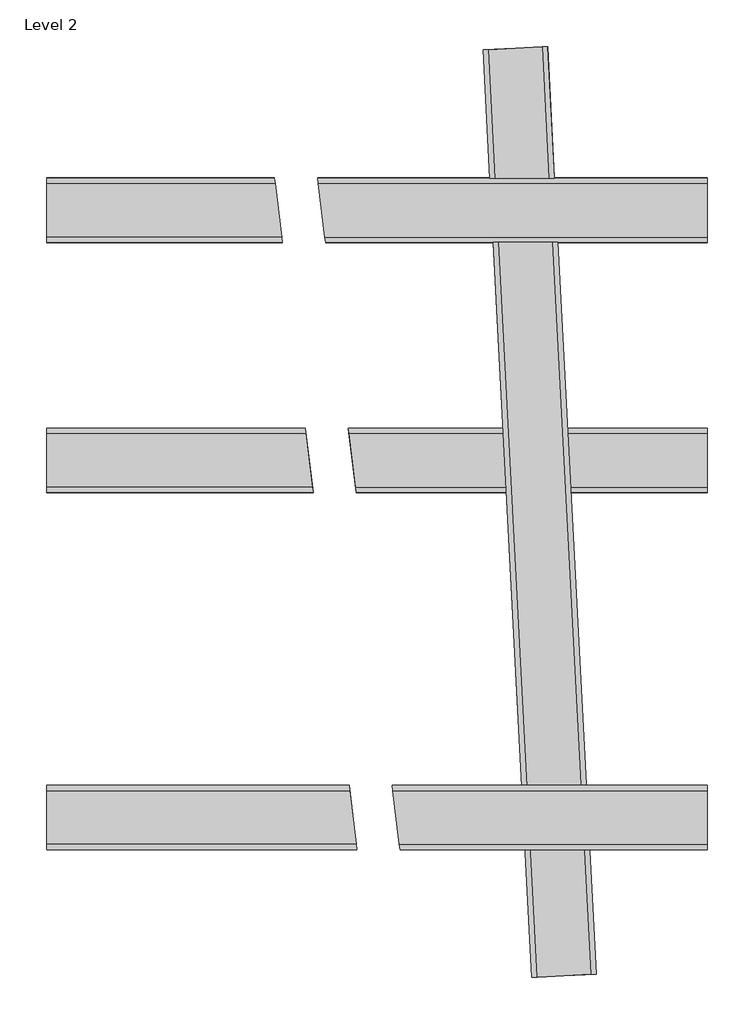
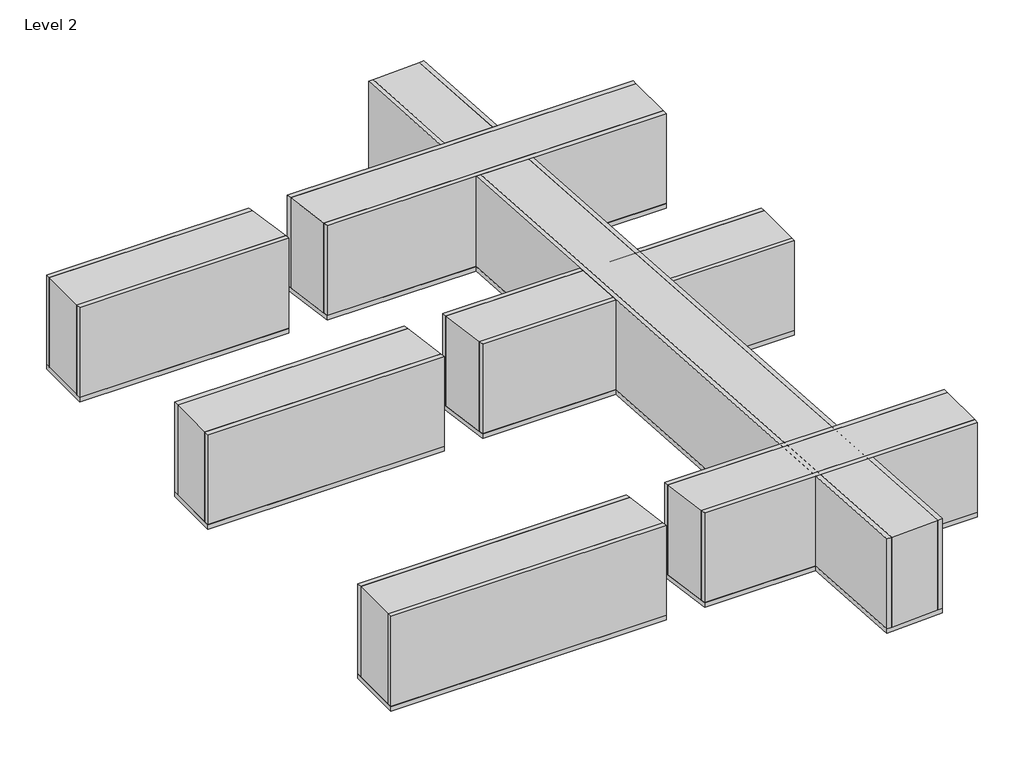
# One storey: 4 beams.
"""IFC4 building model written with IfcOpenShell, lengths in millimetres."""

from ifc_helpers import new_model, si_unit, frame, origin, place, context, project, spatial, polyline, outline, extrude, faceted_brep, element, save

model = new_model("IFC4")

# Units and contexts
model_context = context("Model", 3, world=origin())
ifc_project = project(units=[si_unit("LENGTHUNIT", "METRE", prefix="MILLI")], contexts=[model_context])

# Site, building, storey
site = spatial("IfcSite", under=ifc_project)
building = spatial("IfcBuilding", under=site)
storey = spatial("IfcBuildingStorey", under=building, Name="Level 2", Elevation=3000.0)

# Beams
placement = place(None, origin())
element("IfcBeam", 1, ObjectType="30 x 60cm", at=placement, inside=storey, context=model_context, shape_type="SolidModel", body=[
    extrude(outline(polyline([(-5090.2611409, 13227.8656626), (-5090.2611409, 13257.8656626), (-3773.7441603, 13257.8656626), (-3770.0606234, 13227.8656626), (-5090.2611409, 13227.8656626)])), frame((0.0, 0.0, 2400.8), z_axis=(0.0, 0.0, 1.0), x_axis=(1.0, 0.0, 0.0)), (0.0, 0.0, 1.0), 599.2),
    faceted_brep([(-1390.2611409, 13557.8656626, 2400.8), (-1390.2611409, 13587.8656626, 2400.8), (-1390.2611409, 13587.8656626, 3000.0), (-1390.2611409, 13557.8656626, 3000.0), (-3568.7771704, 13557.8656626, 3000.0), (-3568.7771704, 13557.8656626, 2400.8), (-2576.3140855, 13557.8656626, 2400.8), (-2275.9023817, 13557.8656626, 2400.8), (-2247.4334447, 13587.8656626, 3000.0), (-2277.474615, 13587.8656626, 3000.0), (-2577.8863188, 13587.8656626, 3000.0), (-2607.9274892, 13587.8656626, 3000.0), (-3572.4607073, 13587.8656626, 3000.0), (-2247.4334447, 13587.8656626, 2400.8), (-2277.474615, 13587.8656626, 2400.8), (-2577.8863188, 13587.8656626, 2400.8), (-2607.9274892, 13587.8656626, 2400.8), (-3572.4607073, 13587.8656626, 2400.8)], [[[0, 1, 2, 3]], [[0, 3, 4, 5, 6, 7]], [[3, 2, 8, 9, 10, 11, 12, 4]], [[2, 1, 13, 14, 15, 16, 17, 12, 11, 10, 9, 8]], [[1, 0, 7, 6, 5, 17, 16, 15, 14, 13]], [[5, 4, 12, 17]]]),
    extrude(outline(polyline([(-5090.2611409, 13227.0656626), (-5090.2611409, 13588.6556626), (-3814.3600652, 13588.6556626), (-3769.9623958, 13227.0656626), (-5090.2611409, 13227.0656626)])), frame((0.0, 0.0, 2370.0), z_axis=(0.0, 0.0, 1.0), x_axis=(1.0, 0.0, 0.0)), (0.0, 0.0, 1.0), 30.0),
    faceted_brep([(-1390.2611409, 13557.8656626, 3000.0), (-1390.2611409, 13257.8656626, 3000.0), (-1390.2611409, 13257.8656626, 2400.0), (-1390.2611409, 13557.8656626, 2400.0), (-3568.7771704, 13557.8656626, 3000.0), (-3531.9418022, 13257.8656626, 3000.0), (-3531.9418022, 13257.8656626, 2400.0), (-2560.5917517, 13257.8656626, 2400.0), (-2260.1800479, 13257.8656626, 2400.0), (-3568.7771704, 13557.8656626, 2400.0), (-2576.3140855, 13557.8656626, 2400.0), (-2275.9023817, 13557.8656626, 2400.0)], [[[0, 1, 2, 3]], [[1, 0, 4, 5]], [[2, 1, 5, 6, 7, 8]], [[3, 2, 8, 7, 6, 9, 10, 11]], [[0, 3, 11, 10, 9, 4]], [[5, 4, 9, 6]]]),
    faceted_brep([(-1390.2611409, 13227.0656626, 2370.0), (-1390.2611409, 13588.6556626, 2370.0), (-1390.2611409, 13588.6556626, 2400.0), (-1390.2611409, 13227.0656626, 2400.0), (-2227.7336337, 13227.0656626, 2370.0), (-2589.8198603, 13227.0656626, 2370.0), (-3528.1600377, 13227.0656626, 2370.0), (-3572.5577071, 13588.6556626, 2370.0), (-2608.7699892, 13588.6556626, 2370.0), (-2246.6837627, 13588.6556626, 2370.0), (-2227.7336337, 13227.0656626, 2400.0), (-2589.8198603, 13227.0656626, 2400.0), (-3528.1600377, 13227.0656626, 2400.0), (-2246.6837627, 13588.6556626, 2400.0), (-2608.7699892, 13588.6556626, 2400.0), (-3572.5577071, 13588.6556626, 2400.0)], [[[0, 1, 2, 3]], [[1, 0, 4, 5, 6, 7, 8, 9]], [[0, 3, 10, 11, 12, 6, 5, 4]], [[3, 2, 13, 14, 15, 12, 11, 10]], [[2, 1, 9, 8, 7, 15, 14, 13]], [[7, 6, 12, 15]]]),
    faceted_brep([(-3528.2582653, 13227.8656626, 3000.0), (-3531.9418022, 13257.8656626, 3000.0), (-3531.9418022, 13257.8656626, 2400.8), (-3528.2582653, 13227.8656626, 2400.8), (-1390.2611409, 13227.8656626, 3000.0), (-1390.2611409, 13227.8656626, 2400.8), (-1390.2611409, 13257.8656626, 2400.8), (-1390.2611409, 13257.8656626, 3000.0), (-2589.0606887, 13227.8656626, 3000.0), (-2559.0195183, 13227.8656626, 3000.0), (-2258.6078145, 13227.8656626, 3000.0), (-2228.5666441, 13227.8656626, 3000.0), (-2260.1800479, 13257.8656626, 2400.8), (-2560.5917517, 13257.8656626, 2400.8), (-2589.0606887, 13227.8656626, 2400.8), (-2559.0195183, 13227.8656626, 2400.8), (-2258.6078145, 13227.8656626, 2400.8), (-2228.5666441, 13227.8656626, 2400.8)], [[[0, 1, 2, 3]], [[4, 5, 6, 7]], [[4, 7, 1, 0, 8, 9, 10, 11]], [[7, 6, 12, 13, 2, 1]], [[5, 4, 11, 10, 9, 8, 0, 3, 14, 15, 16, 17]], [[6, 5, 17, 16, 15, 14, 3, 2, 13, 12]]]),
    extrude(outline(polyline([(-5090.2611409, 13557.8656626), (-5090.2611409, 13587.8656626), (-3814.2630654, 13587.8656626), (-3810.5795285, 13557.8656626), (-5090.2611409, 13557.8656626)])), frame((0.0, 0.0, 2400.8), z_axis=(0.0, 0.0, 1.0), x_axis=(1.0, 0.0, 0.0)), (0.0, 0.0, 1.0), 599.2),
    extrude(outline(polyline([(-5090.2611409, 13257.8656626), (-5090.2611409, 13557.8656626), (-3810.5795285, 13557.8656626), (-3773.7441603, 13257.8656626), (-5090.2611409, 13257.8656626)])), frame((0.0, 0.0, 2400.0), z_axis=(0.0, 0.0, 1.0), x_axis=(1.0, 0.0, 0.0)), (0.0, 0.0, 1.0), 600.0),
])
element("IfcBeam", 2, ObjectType="30 x 60cm", at=placement, inside=storey, context=model_context, shape_type="SweptSolid", body=[
    extrude(outline(polyline([(-5090.2611409, 11827.8656626), (-5090.2611409, 11857.8656626), (-3601.845775, 11857.8656626), (-3598.1622382, 11827.8656626), (-5090.2611409, 11827.8656626)])), frame((0.0, 0.0, 2400.8), z_axis=(0.0, 0.0, 1.0), x_axis=(1.0, 0.0, 0.0)), (0.0, 0.0, 1.0), 599.2),
    extrude(outline(polyline([(-1390.2611409, 12187.8656626), (-1390.2611409, 12157.8656626), (-3396.8787852, 12157.8656626), (-3400.562322, 12187.8656626), (-1390.2611409, 12187.8656626)])), frame((0.0, 0.0, 2400.8), z_axis=(0.0, 0.0, 1.0), x_axis=(1.0, 0.0, 0.0)), (0.0, 0.0, 1.0), 599.2),
    extrude(outline(polyline([(-5090.2611409, 11827.0656626), (-5090.2611409, 12188.6556626), (-3642.4616799, 12188.6556626), (-3598.0640105, 11827.0656626), (-5090.2611409, 11827.0656626)])), frame((0.0, 0.0, 2370.0), z_axis=(0.0, 0.0, 1.0), x_axis=(1.0, 0.0, 0.0)), (0.0, 0.0, 1.0), 30.0),
    extrude(outline(polyline([(-1390.2611409, 12157.8656626), (-1390.2611409, 11857.8656626), (-3360.0434169, 11857.8656626), (-3396.8787852, 12157.8656626), (-1390.2611409, 12157.8656626)])), frame((0.0, 0.0, 2400.0), z_axis=(0.0, 0.0, 1.0), x_axis=(1.0, 0.0, 0.0)), (0.0, 0.0, 1.0), 600.0),
    extrude(outline(polyline([(-1390.2611409, 12188.6556626), (-1390.2611409, 11827.0656626), (-3356.2616524, 11827.0656626), (-3400.6593218, 12188.6556626), (-1390.2611409, 12188.6556626)])), frame((0.0, 0.0, 2370.0), z_axis=(0.0, 0.0, 1.0), x_axis=(1.0, 0.0, 0.0)), (0.0, 0.0, 1.0), 30.0),
    extrude(outline(polyline([(-1390.2611409, 11857.8656626), (-1390.2611409, 11827.8656626), (-3356.3598801, 11827.8656626), (-3360.0434169, 11857.8656626), (-1390.2611409, 11857.8656626)])), frame((0.0, 0.0, 2400.8), z_axis=(0.0, 0.0, 1.0), x_axis=(1.0, 0.0, 0.0)), (0.0, 0.0, 1.0), 599.2),
    extrude(outline(polyline([(-5090.2611409, 12157.8656626), (-5090.2611409, 12187.8656626), (-3642.3646801, 12187.8656626), (-3638.6811433, 12157.8656626), (-5090.2611409, 12157.8656626)])), frame((0.0, 0.0, 2400.8), z_axis=(0.0, 0.0, 1.0), x_axis=(1.0, 0.0, 0.0)), (0.0, 0.0, 1.0), 599.2),
    extrude(outline(polyline([(-5090.2611409, 11857.8656626), (-5090.2611409, 12157.8656626), (-3638.6811433, 12157.8656626), (-3601.845775, 11857.8656626), (-5090.2611409, 11857.8656626)])), frame((0.0, 0.0, 2400.0), z_axis=(0.0, 0.0, 1.0), x_axis=(1.0, 0.0, 0.0)), (0.0, 0.0, 1.0), 600.0),
])
element("IfcBeam", 3, ObjectType="30 x 60cm", at=placement, inside=storey, context=model_context, shape_type="SweptSolid", body=[
    extrude(outline(polyline([(-5090.2611409, 9827.8656626), (-5090.2611409, 9857.8656626), (-3356.2766532, 9857.8656626), (-3352.5931164, 9827.8656626), (-5090.2611409, 9827.8656626)])), frame((0.0, 0.0, 2400.8), z_axis=(0.0, 0.0, 1.0), x_axis=(1.0, 0.0, 0.0)), (0.0, 0.0, 1.0), 599.2),
    extrude(outline(polyline([(-1390.2611409, 10187.8656626), (-1390.2611409, 10157.8656626), (-3151.3096634, 10157.8656626), (-3154.9932002, 10187.8656626), (-1390.2611409, 10187.8656626)])), frame((0.0, 0.0, 2400.8), z_axis=(0.0, 0.0, 1.0), x_axis=(1.0, 0.0, 0.0)), (0.0, 0.0, 1.0), 599.2),
    extrude(outline(polyline([(-5090.2611409, 9827.0656626), (-5090.2611409, 10188.6556626), (-3396.8925581, 10188.6556626), (-3352.4948887, 9827.0656626), (-5090.2611409, 9827.0656626)])), frame((0.0, 0.0, 2370.0), z_axis=(0.0, 0.0, 1.0), x_axis=(1.0, 0.0, 0.0)), (0.0, 0.0, 1.0), 30.0),
    extrude(outline(polyline([(-1390.2611409, 10157.8656626), (-1390.2611409, 9857.8656626), (-3114.4742951, 9857.8656626), (-3151.3096634, 10157.8656626), (-1390.2611409, 10157.8656626)])), frame((0.0, 0.0, 2400.0), z_axis=(0.0, 0.0, 1.0), x_axis=(1.0, 0.0, 0.0)), (0.0, 0.0, 1.0), 600.0),
    extrude(outline(polyline([(-1390.2611409, 10188.6556626), (-1390.2611409, 9827.0656626), (-3110.6925306, 9827.0656626), (-3155.0902, 10188.6556626), (-1390.2611409, 10188.6556626)])), frame((0.0, 0.0, 2370.0), z_axis=(0.0, 0.0, 1.0), x_axis=(1.0, 0.0, 0.0)), (0.0, 0.0, 1.0), 30.0),
    extrude(outline(polyline([(-1390.2611409, 9857.8656626), (-1390.2611409, 9827.8656626), (-3110.7907583, 9827.8656626), (-3114.4742951, 9857.8656626), (-1390.2611409, 9857.8656626)])), frame((0.0, 0.0, 2400.8), z_axis=(0.0, 0.0, 1.0), x_axis=(1.0, 0.0, 0.0)), (0.0, 0.0, 1.0), 599.2),
    extrude(outline(polyline([(-5090.2611409, 10157.8656626), (-5090.2611409, 10187.8656626), (-3396.7955583, 10187.8656626), (-3393.1120215, 10157.8656626), (-5090.2611409, 10157.8656626)])), frame((0.0, 0.0, 2400.8), z_axis=(0.0, 0.0, 1.0), x_axis=(1.0, 0.0, 0.0)), (0.0, 0.0, 1.0), 599.2),
    extrude(outline(polyline([(-5090.2611409, 9857.8656626), (-5090.2611409, 10157.8656626), (-3393.1120215, 10157.8656626), (-3356.2766532, 9857.8656626), (-5090.2611409, 9857.8656626)])), frame((0.0, 0.0, 2400.0), z_axis=(0.0, 0.0, 1.0), x_axis=(1.0, 0.0, 0.0)), (0.0, 0.0, 1.0), 600.0),
])
element("IfcBeam", 4, ObjectType="30 x 60cm", at=placement, inside=storey, context=model_context, shape_type="SolidModel", body=[
    faceted_brep([(-2043.8341423, 9129.7398657, 3000.0), (-2343.4230027, 9114.0390788, 3000.0), (-2343.4230027, 9114.0390788, 2400.0), (-2043.8341423, 9129.7398657, 2400.0), (-2258.6078145, 13227.8656626, 3000.0), (-2559.0195183, 13227.8656626, 3000.0), (-2559.0195183, 13227.8656626, 2400.8), (-2560.5917517, 13257.8656626, 2400.8), (-2560.5917517, 13257.8656626, 2400.0), (-2558.9775921, 13227.0656626, 2400.0), (-2260.1800479, 13257.8656626, 2400.0), (-2258.5658883, 13227.0656626, 2400.0), (-2260.1800479, 13257.8656626, 2400.8), (-2258.6078145, 13227.8656626, 2400.8)], [[[0, 1, 2, 3]], [[1, 0, 4, 5]], [[2, 1, 5, 6, 7, 8, 9]], [[3, 2, 9, 8, 10, 11]], [[0, 3, 11, 10, 12, 13, 4]], [[13, 6, 5, 4]], [[6, 13, 12, 7]], [[8, 7, 12, 10]]]),
    faceted_brep([(-2315.9811147, 14322.6134464, 3000.0), (-2315.9811147, 14322.6134464, 2400.0), (-2615.5699752, 14306.9126595, 2400.0), (-2615.5699752, 14306.9126595, 3000.0), (-2577.8863188, 13587.8656626, 2400.8), (-2277.474615, 13587.8656626, 2400.8), (-2277.474615, 13587.8656626, 3000.0), (-2577.8863188, 13587.8656626, 3000.0), (-2576.3140855, 13557.8656626, 2400.8), (-2275.9023817, 13557.8656626, 2400.8), (-2576.3140855, 13557.8656626, 2400.0), (-2275.9023817, 13557.8656626, 2400.0), (-2577.927721, 13588.6556626, 2400.0), (-2277.5160172, 13588.6556626, 2400.0)], [[[0, 1, 2, 3]], [[4, 5, 6, 7]], [[5, 4, 8, 9]], [[0, 3, 7, 6]], [[8, 10, 11, 9]], [[3, 2, 12, 10, 8, 4, 7]], [[2, 1, 13, 11, 10, 12]], [[1, 0, 6, 5, 9, 11, 13]]]),
    extrude(outline(polyline([(-2646.3277648, 14305.3007121), (-2285.2333114, 14324.2248705), (-2246.6837627, 13588.6556626), (-2608.7699892, 13588.6556626), (-2646.3277648, 14305.3007121)])), frame((0.0, 0.0, 2370.0), z_axis=(0.0, 0.0, 1.0), x_axis=(1.0, 0.0, 0.0)), (0.0, 0.0, 1.0), 30.0),
    extrude(outline(polyline([(-2013.8752562, 9131.3099444), (-2043.8341423, 9129.7398657), (-2258.6078145, 13227.8656626), (-2228.5666441, 13227.8656626), (-2013.8752562, 9131.3099444)])), frame((0.0, 0.0, 2400.8), z_axis=(0.0, 0.0, 1.0), x_axis=(1.0, 0.0, 0.0)), (0.0, 0.0, 1.0), 599.2),
    extrude(outline(polyline([(-2645.5288612, 14305.3425809), (-2615.5699752, 14306.9126595), (-2577.8863188, 13587.8656626), (-2607.9274892, 13587.8656626), (-2645.5288612, 14305.3425809)])), frame((0.0, 0.0, 2400.8), z_axis=(0.0, 0.0, 1.0), x_axis=(1.0, 0.0, 0.0)), (0.0, 0.0, 1.0), 599.2),
    extrude(outline(polyline([(-2315.9811147, 14322.6134464), (-2286.0222287, 14324.1835251), (-2247.4334447, 13587.8656626), (-2277.474615, 13587.8656626), (-2315.9811147, 14322.6134464)])), frame((0.0, 0.0, 2400.8), z_axis=(0.0, 0.0, 1.0), x_axis=(1.0, 0.0, 0.0)), (0.0, 0.0, 1.0), 599.2),
    extrude(outline(polyline([(-2343.4230027, 9114.0390788), (-2373.3818887, 9112.4690001), (-2589.0606887, 13227.8656626), (-2559.0195183, 13227.8656626), (-2343.4230027, 9114.0390788)])), frame((0.0, 0.0, 2400.8), z_axis=(0.0, 0.0, 1.0), x_axis=(1.0, 0.0, 0.0)), (0.0, 0.0, 1.0), 599.2),
    extrude(outline(polyline([(-2013.0863389, 9131.3512898), (-2374.1807924, 9112.4271314), (-2589.8198603, 13227.0656626), (-2227.7336337, 13227.0656626), (-2013.0863389, 9131.3512898)])), frame((0.0, 0.0, 2370.0), z_axis=(0.0, 0.0, 1.0), x_axis=(1.0, 0.0, 0.0)), (0.0, 0.0, 1.0), 30.0),
])

save(model, "model.ifc")
